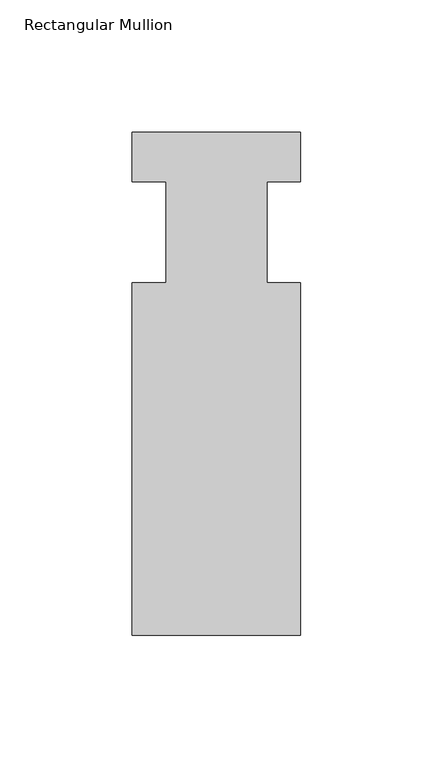
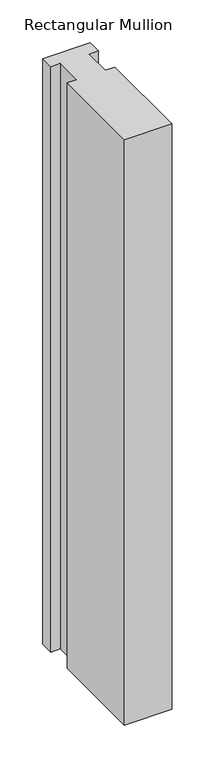
"""IFC4 building model written with IfcOpenShell, lengths in millimetres: member geometry, Rectangular Mullion."""

from ifc_helpers import new_model, si_unit, frame, origin, place, context, project, spatial, polyline, outline, extrude, source, transform, mapped, element, save


def rectangular_mullion_de4d0659(model_context):
    return source(origin(), model_context, "Body", "SweptSolid", [
        extrude(outline(polyline([(31.75, -151.9936), (-31.75, -151.9936), (-31.75, -19.05), (-19.05, -19.05), (-19.05, 19.05), (-31.75, 19.05), (-31.75, 37.6936), (31.75, 37.6936), (31.75, 19.05), (19.0499746, 19.05), (19.0499746, -19.05), (31.75, -19.05), (31.75, -151.9936)])), frame((0.0, 0.0, -831.8382131), z_axis=(0.0, 0.0, 1.0), x_axis=(1.0, 0.0, 0.0)), (0.0, 0.0, 1.0), 831.8382131),
    ])


if __name__ == "__main__":
    model = new_model("IFC4")
    model_context = context("Model", 3, world=origin())
    ifc_project = project(units=[si_unit("LENGTHUNIT", "METRE", prefix="MILLI")], contexts=[model_context])
    site = spatial("IfcSite", under=ifc_project)
    building = spatial("IfcBuilding", under=site)
    placement = place(None, origin())
    rectangular_mullion_shape = rectangular_mullion_de4d0659(model_context)
    element("IfcMember", 1, ObjectType="Rectangular Mullion", at=placement, inside=building, context=model_context, shape_type="MappedRepresentation", body=[
        mapped(rectangular_mullion_shape, transform((0.0, 0.0, 0.0), x_axis=(1.0, 0.0, 0.0), y_axis=(0.0, 1.0, 0.0), z_axis=(0.0, 0.0, 1.0))),
    ])
    save(model, "model.ifc")
